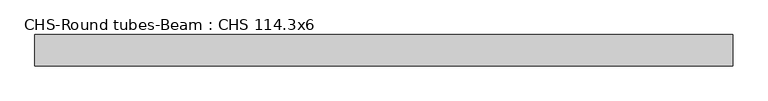
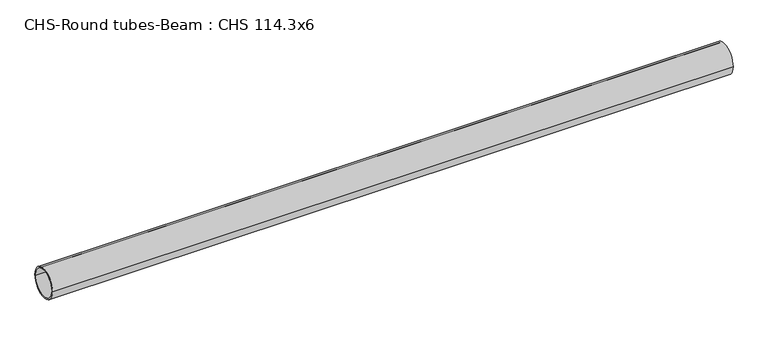
"""IFC4 building model written with IfcOpenShell, lengths in millimetres: beam geometry, CHS-Round tubes-Beam : CHS 114.3x6."""

from ifc_helpers import new_model, si_unit, point, frame, origin, origin_2d, place, context, project, spatial, circle_curve, trimmed, segment, composite_curve, outline, extrude, source, transform, mapped, element, save


def chs_round_tubes_beam_chs_114_3x6_9f6a3b8d(model_context):
    return source(origin(), model_context, "Body", "SweptSolid", [
        extrude(outline(composite_curve([segment(trimmed(circle_curve(origin_2d(), 57.15), [point((57.15, 0.0))], [point((-57.15, 0.0))], False, "CARTESIAN"), True, "CONTINUOUS"), segment(trimmed(circle_curve(origin_2d(), 57.15), [point((-57.15, 0.0))], [point((57.15, 0.0))], False, "CARTESIAN"), True, "CONTINUOUS")], self_intersect=False), holes=[composite_curve([segment(trimmed(circle_curve(origin_2d(), 51.15), [point((51.15, 0.0))], [point((-51.15, 0.0))], True, "CARTESIAN"), True, "CONTINUOUS"), segment(trimmed(circle_curve(origin_2d(), 51.15), [point((-51.15, 0.0))], [point((51.15, 0.0))], True, "CARTESIAN"), True, "CONTINUOUS")], self_intersect=False)]), frame((-1210.2986178, 0.0, 0.0), z_axis=(1.0, 0.0, 0.0), x_axis=(0.0, 1.0, 0.0)), (0.0, 0.0, 1.0), 2553.2325368),
    ])


if __name__ == "__main__":
    model = new_model("IFC4")
    model_context = context("Model", 3, world=origin())
    ifc_project = project(units=[si_unit("LENGTHUNIT", "METRE", prefix="MILLI")], contexts=[model_context])
    site = spatial("IfcSite", under=ifc_project)
    building = spatial("IfcBuilding", under=site)
    placement = place(None, origin())
    chs_round_tubes_beam_chs_114_3x6_shape = chs_round_tubes_beam_chs_114_3x6_9f6a3b8d(model_context)
    element("IfcBeam", 1, ObjectType="CHS-Round tubes-Beam : CHS 114.3x6", at=placement, inside=building, context=model_context, shape_type="MappedRepresentation", body=[
        mapped(chs_round_tubes_beam_chs_114_3x6_shape, transform((0.0, 0.0, 0.0), x_axis=(1.0, 0.0, 0.0), y_axis=(0.0, 1.0, 0.0), z_axis=(0.0, 0.0, 1.0))),
    ])
    save(model, "model.ifc")
